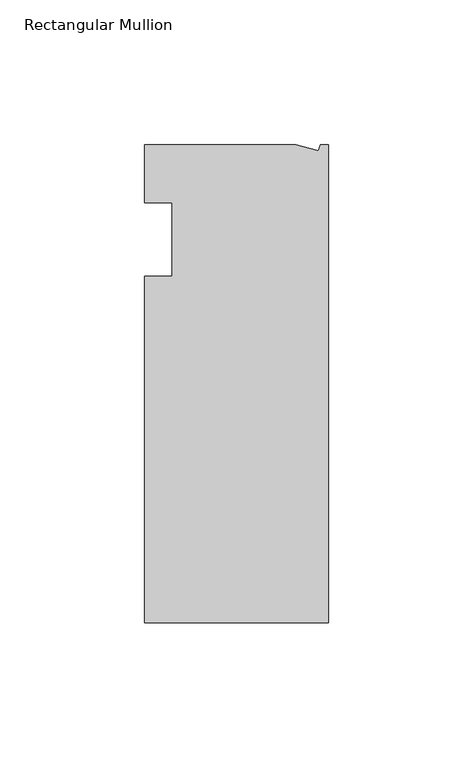
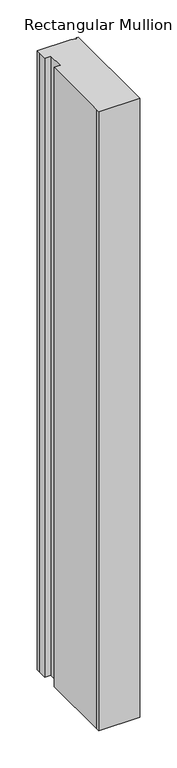
"""IFC4 building model written with IfcOpenShell, lengths in millimetres: member geometry, Rectangular Mullion."""

from ifc_helpers import new_model, si_unit, frame, origin, place, context, project, spatial, polyline, outline, extrude, source, transform, mapped, element, save


def rectangular_mullion_48a9f906(model_context):
    return source(origin(), model_context, "Body", "SweptSolid", [
        extrude(outline(polyline([(0.0, -132.5561012), (-63.5, -132.5561012), (-63.5, -126.2061012), (-63.5, -12.8054199), (-53.975, -12.8054199), (-53.975, 12.5945801), (-63.5, 12.5945801), (-63.5, 26.1938988), (-63.5, 32.5438988), (-11.121847, 32.5438988), (-3.3341886, 30.4622958), (-2.7616541, 32.5438988), (0.0, 32.5438988), (0.0, -132.5561012)])), frame((0.0, 0.0, -1016.0), z_axis=(0.0, 0.0, 1.0), x_axis=(1.0, 0.0, 0.0)), (0.0, 0.0, 1.0), 1016.0),
    ])


if __name__ == "__main__":
    model = new_model("IFC4")
    model_context = context("Model", 3, world=origin())
    ifc_project = project(units=[si_unit("LENGTHUNIT", "METRE", prefix="MILLI")], contexts=[model_context])
    site = spatial("IfcSite", under=ifc_project)
    building = spatial("IfcBuilding", under=site)
    placement = place(None, origin())
    rectangular_mullion_shape = rectangular_mullion_48a9f906(model_context)
    element("IfcMember", 1, ObjectType="Rectangular Mullion", at=placement, inside=building, context=model_context, shape_type="MappedRepresentation", body=[
        mapped(rectangular_mullion_shape, transform((0.0, 0.0, 0.0), x_axis=(1.0, 0.0, 0.0), y_axis=(0.0, 1.0, 0.0), z_axis=(0.0, 0.0, 1.0))),
    ])
    save(model, "model.ifc")
